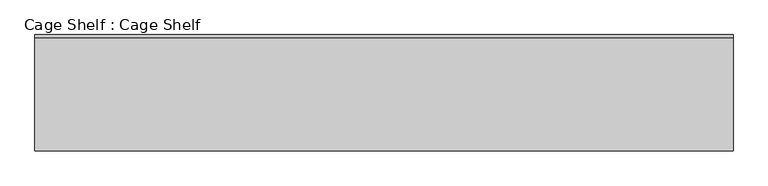
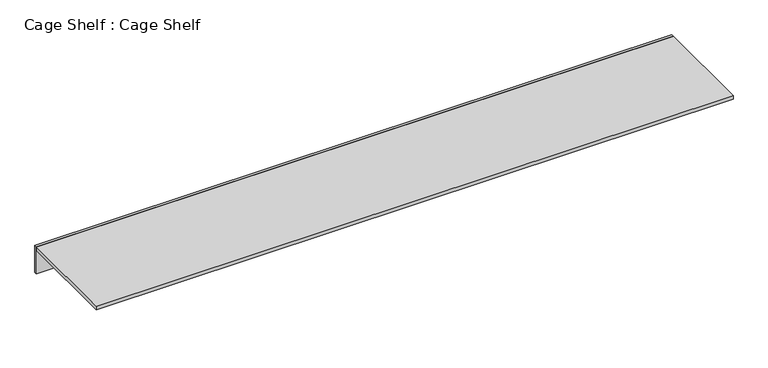
"""IFC4 building model written with IfcOpenShell, lengths in millimetres: furniture geometry, Cage Shelf : Cage Shelf."""

from ifc_helpers import new_model, si_unit, frame, origin, origin_with_axes, place, context, project, spatial, polyline, outline, extrude, source, transform, mapped, element, save


def cage_shelf_cage_shelf_ba47c582(model_context):
    return source(origin(), model_context, "Body", "SweptSolid", [
        extrude(outline(polyline([(2286.0, 812.8), (2286.0, 793.75), (-2286.0, 793.75), (-2286.0, 812.8), (2286.0, 812.8)])), origin_with_axes(), (0.0, 0.0, 1.0), 203.2),
        extrude(outline(polyline([(2286.0, 793.75), (2286.0, 50.8), (-2286.0, 50.8), (-2286.0, 793.75), (2286.0, 793.75)])), frame((0.0, 0.0, 177.8), z_axis=(0.0, 0.0, 1.0), x_axis=(1.0, 0.0, 0.0)), (0.0, 0.0, 1.0), 25.4),
    ])


if __name__ == "__main__":
    model = new_model("IFC4")
    model_context = context("Model", 3, world=origin())
    ifc_project = project(units=[si_unit("LENGTHUNIT", "METRE", prefix="MILLI")], contexts=[model_context])
    site = spatial("IfcSite", under=ifc_project)
    building = spatial("IfcBuilding", under=site)
    placement = place(None, origin())
    cage_shelf_cage_shelf_shape = cage_shelf_cage_shelf_ba47c582(model_context)
    element("IfcFurniture", 1, ObjectType="Cage Shelf : Cage Shelf", at=placement, inside=building, context=model_context, shape_type="MappedRepresentation", body=[
        mapped(cage_shelf_cage_shelf_shape, transform((0.0, 0.0, 0.0), x_axis=(1.0, 0.0, 0.0), y_axis=(0.0, 1.0, 0.0), z_axis=(0.0, 0.0, 1.0))),
    ])
    save(model, "model.ifc")
